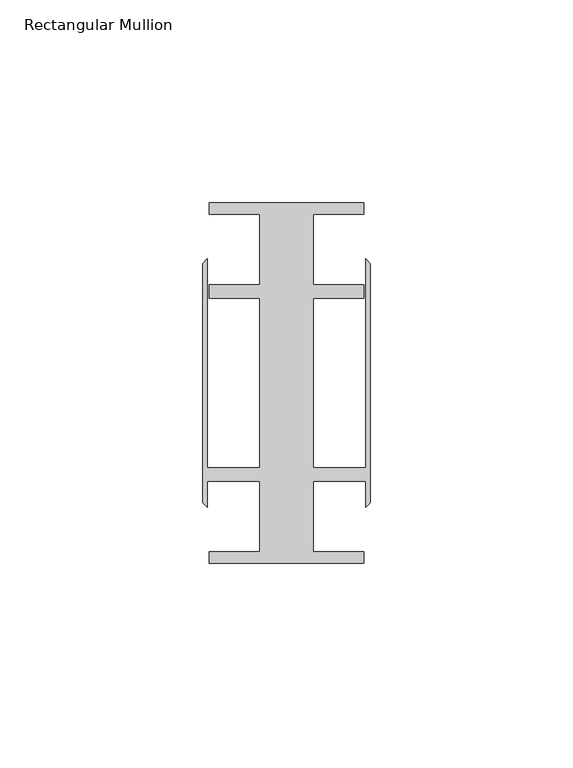
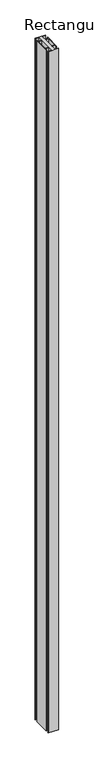
"""IFC4 building model written with IfcOpenShell, lengths in millimetres: member geometry, Rectangular Mullion."""

from ifc_helpers import new_model, si_unit, frame, origin, place, context, project, spatial, polyline, outline, extrude, source, transform, mapped, element, save


def rectangular_mullion_fcddbb49(model_context):
    return source(origin(), model_context, "Body", "SweptSolid", [
        extrude(outline(polyline([(-27.2375002, 41.6500013), (-39.6875, 41.6500013), (-39.6875, 44.45), (-1.5875, 44.45), (-1.5875, 41.6500013), (-14.0374998, 41.6500013), (-14.0374998, 24.2500008), (-1.5875, 24.2500008), (-1.5875, 20.9500007), (-14.0374998, 20.9500007), (-14.0374998, -20.9500007), (-1.1450898, -20.9500007), (-1.1450898, 30.6159585), (0.0, 29.4708687), (0.0, -29.4708687), (-1.1450898, -30.6159585), (-1.1450898, -24.2500008), (-14.0374998, -24.2500008), (-14.0374998, -41.6500013), (-1.5875, -41.6500013), (-1.5875, -44.45), (-39.6875, -44.45), (-39.6875, -41.6500013), (-27.2375002, -41.6500013), (-27.2375002, -24.2500008), (-40.1299102, -24.2500008), (-40.1299102, -30.6159585), (-41.275, -29.4708687), (-41.275, 29.4708687), (-40.1299102, 30.6159585), (-40.1299102, -20.9500007), (-27.2375002, -20.9500007), (-27.2375002, 20.9500007), (-39.6875, 20.9500007), (-39.6875, 24.2500008), (-27.2375002, 24.2500008), (-27.2375002, 41.6500013)])), frame((0.0, 0.0, -2743.2), z_axis=(0.0, 0.0, 1.0), x_axis=(1.0, 0.0, 0.0)), (0.0, 0.0, 1.0), 2743.2),
    ])


if __name__ == "__main__":
    model = new_model("IFC4")
    model_context = context("Model", 3, world=origin())
    ifc_project = project(units=[si_unit("LENGTHUNIT", "METRE", prefix="MILLI")], contexts=[model_context])
    site = spatial("IfcSite", under=ifc_project)
    building = spatial("IfcBuilding", under=site)
    placement = place(None, origin())
    rectangular_mullion_shape = rectangular_mullion_fcddbb49(model_context)
    element("IfcMember", 1, ObjectType="Rectangular Mullion", at=placement, inside=building, context=model_context, shape_type="MappedRepresentation", body=[
        mapped(rectangular_mullion_shape, transform((0.0, 0.0, 0.0), x_axis=(1.0, 0.0, 0.0), y_axis=(0.0, 1.0, 0.0), z_axis=(0.0, 0.0, 1.0))),
    ])
    save(model, "model.ifc")
